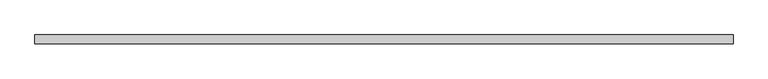
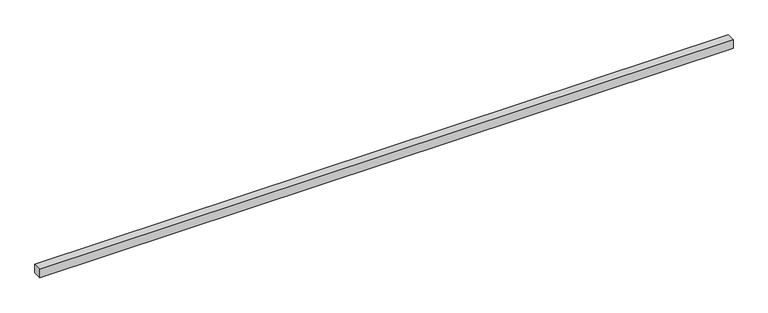
"""IFC4 building model written with IfcOpenShell, lengths in millimetres: beam geometry."""

from ifc_helpers import new_model, si_unit, frame, origin, place, context, project, spatial, polyline, outline, extrude, source, transform, mapped, element, save


def beam_6997d26b(model_context):
    return source(origin(), model_context, "Body", "SweptSolid", [
        extrude(outline(polyline([(-1524.0, 19.05), (1524.0, 19.05), (1524.0, -19.05), (-1524.0, -19.05), (-1524.0, 19.05)])), frame((0.0, 0.0, -19.05), z_axis=(0.0, 0.0, 1.0), x_axis=(1.0, 0.0, 0.0)), (0.0, 0.0, 1.0), 38.1),
    ])


if __name__ == "__main__":
    model = new_model("IFC4")
    model_context = context("Model", 3, world=origin())
    ifc_project = project(units=[si_unit("LENGTHUNIT", "METRE", prefix="MILLI")], contexts=[model_context])
    site = spatial("IfcSite", under=ifc_project)
    building = spatial("IfcBuilding", under=site)
    placement = place(None, origin())
    beam_shape = beam_6997d26b(model_context)
    element("IfcBeam", 1, at=placement, inside=building, context=model_context, shape_type="MappedRepresentation", body=[
        mapped(beam_shape, transform((0.0, 0.0, 0.0), x_axis=(1.0, 0.0, 0.0), y_axis=(0.0, 1.0, 0.0), z_axis=(0.0, 0.0, 1.0))),
    ])
    save(model, "model.ifc")
